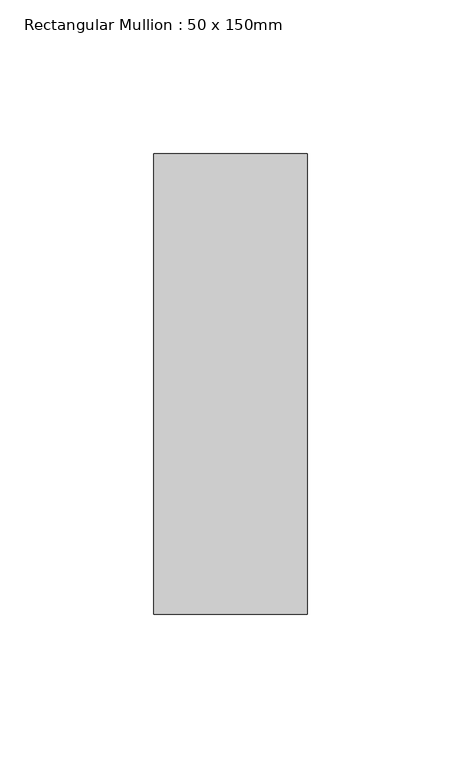
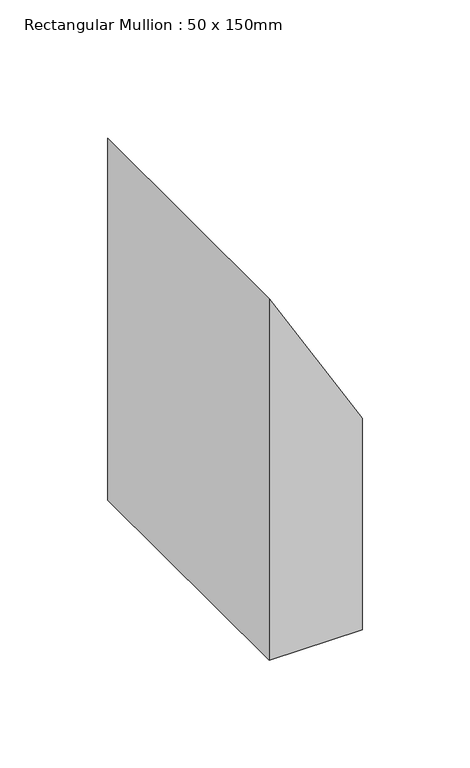
"""IFC4 building model written with IfcOpenShell, lengths in millimetres: member geometry, Rectangular Mullion : 50 x 150mm."""

from ifc_helpers import new_model, si_unit, point, frame, frame_2d, origin, place, context, project, spatial, polyline, circle_curve, trimmed, segment, composite_curve, outline, extrude, source, transform, mapped, element, save


def rectangular_mullion_50_x_150mm_869855ae(model_context):
    return source(origin(), model_context, "Body", "SweptSolid", [
        extrude(outline(composite_curve([segment(trimmed(circle_curve(frame_2d((2029.464811, 3635.2388382)), 4213.3746925), [point((-142.7925012, 25.0))], [point((-57.4414989, -25.0))], True, "CARTESIAN"), True, "CONTINUOUS"), segment(polyline([(-57.4414989, -25.0), (-262.4795233, -25.0), (-262.4795233, 25.0), (-142.7925012, 25.0)]), True, "CONTINUOUS")], self_intersect=False)), frame((0.0, -75.0, 0.0), z_axis=(0.0, 1.0, 0.0), x_axis=(0.0, 0.0, 1.0)), (0.0, 0.0, 1.0), 150.0),
    ])


if __name__ == "__main__":
    model = new_model("IFC4")
    model_context = context("Model", 3, world=origin())
    ifc_project = project(units=[si_unit("LENGTHUNIT", "METRE", prefix="MILLI")], contexts=[model_context])
    site = spatial("IfcSite", under=ifc_project)
    building = spatial("IfcBuilding", under=site)
    placement = place(None, origin())
    rectangular_mullion_50_x_150mm_shape = rectangular_mullion_50_x_150mm_869855ae(model_context)
    element("IfcMember", 1, ObjectType="Rectangular Mullion : 50 x 150mm", at=placement, inside=building, context=model_context, shape_type="MappedRepresentation", body=[
        mapped(rectangular_mullion_50_x_150mm_shape, transform((0.0, 0.0, 0.0), x_axis=(1.0, 0.0, 0.0), y_axis=(0.0, 1.0, 0.0), z_axis=(0.0, 0.0, 1.0))),
    ])
    save(model, "model.ifc")
